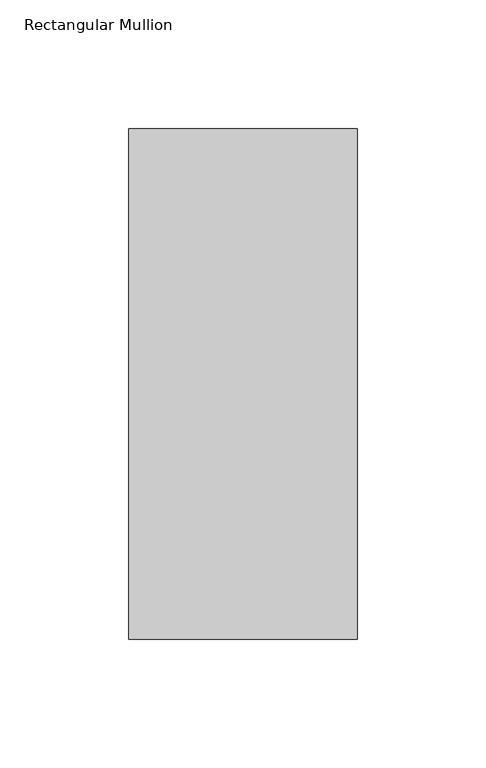
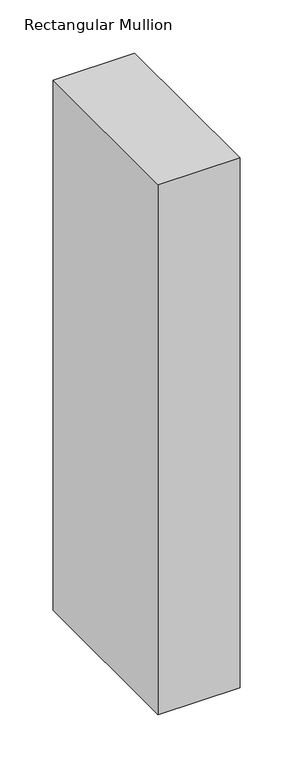
"""IFC4 building model written with IfcOpenShell, lengths in millimetres: member geometry, Rectangular Mullion."""

from ifc_helpers import new_model, si_unit, frame, origin, place, context, project, spatial, polyline, outline, extrude, source, transform, mapped, element, save


def rectangular_mullion_df1b19fc(model_context):
    return source(origin(), model_context, "Body", "SweptSolid", [
        extrude(outline(polyline([(-88.9, 42.06875), (0.0, 42.06875), (0.0, -156.36875), (-88.9, -156.36875), (-88.9, 42.06875)])), frame((0.0, 0.0, -609.6), z_axis=(0.0, 0.0, 1.0), x_axis=(1.0, 0.0, 0.0)), (0.0, 0.0, 1.0), 609.6),
    ])


if __name__ == "__main__":
    model = new_model("IFC4")
    model_context = context("Model", 3, world=origin())
    ifc_project = project(units=[si_unit("LENGTHUNIT", "METRE", prefix="MILLI")], contexts=[model_context])
    site = spatial("IfcSite", under=ifc_project)
    building = spatial("IfcBuilding", under=site)
    placement = place(None, origin())
    rectangular_mullion_shape = rectangular_mullion_df1b19fc(model_context)
    element("IfcMember", 1, ObjectType="Rectangular Mullion", at=placement, inside=building, context=model_context, shape_type="MappedRepresentation", body=[
        mapped(rectangular_mullion_shape, transform((0.0, 0.0, 0.0), x_axis=(1.0, 0.0, 0.0), y_axis=(0.0, 1.0, 0.0), z_axis=(0.0, 0.0, 1.0))),
    ])
    save(model, "model.ifc")
